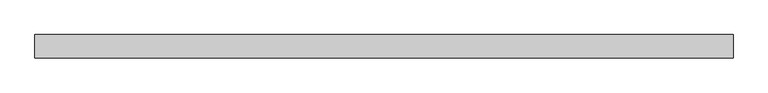
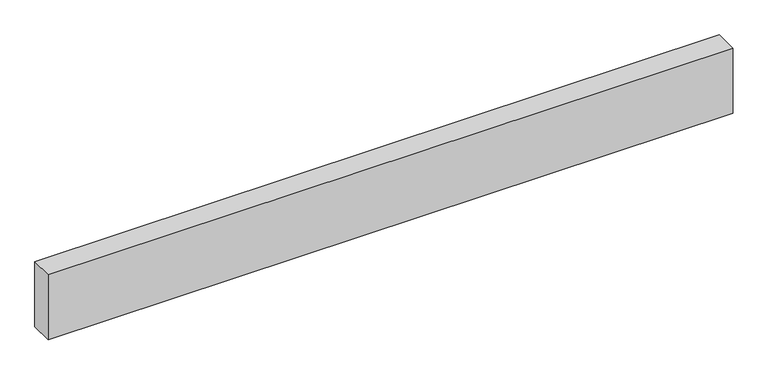
"""IFC4 building model written with IfcOpenShell, lengths in millimetres: proxy geometry."""

import ifcopenshell
import ifcopenshell.guid

model = None  # the IFC model being written
_history = None  # IfcOwnerHistory: only IFC2X3 demands one
_inside = {}  # id of a spatial element -> (the spatial element, [elements in it])
_under = {}  # id of a project, library or spatial element -> (it, [spatial elements below it])
_declared = {}  # id of a project -> (the project, [libraries it declares])
_typed = {}  # id of a type object -> (the type object, [elements of that type])
_made_of = {}  # id of a material, layer set ... -> (it, [elements and type objects made of it])


def new_model(schema):
    """Start an empty IFC model of exactly this schema.

    Asked for "IFC4X3", IfcOpenShell would pick the latest addendum, in which some entities
    have other attributes; the version numbers below select the first issue.
    IFC2X3 requires an IfcOwnerHistory on every rooted entity: one is made here for all.
    """
    global model, _history
    if schema == "IFC4X3":
        model = ifcopenshell.file(schema_version=(4, 3, 0, 0))
    else:
        model = ifcopenshell.file(schema=schema)
    _inside.clear()
    _under.clear()
    _declared.clear()
    _typed.clear()
    _made_of.clear()
    _history = None
    if model.schema == "IFC2X3":
        org = make("IfcOrganization", Name="unknown")
        user = make(
            "IfcPersonAndOrganization",
            ThePerson=make("IfcPerson", FamilyName="unknown"),
            TheOrganization=org,
        )
        app = make(
            "IfcApplication",
            ApplicationDeveloper=org,
            Version="unknown",
            ApplicationFullName="unknown",
            ApplicationIdentifier="unknown",
        )
        _history = make(
            "IfcOwnerHistory",
            OwningUser=user,
            OwningApplication=app,
            ChangeAction="ADDED",
            CreationDate=0,
        )
    return model


def make(cls, **values):
    """One entity of the class cls with the attributes given. An attribute that is None is left unset."""
    return model.create_entity(
        cls, **{name: value for name, value in values.items() if value is not None}
    )


def rooted(cls, **values):
    """An entity with a GlobalId (a new one), such as an element, a storey or a relation."""
    return make(cls, GlobalId=ifcopenshell.guid.new(), OwnerHistory=_history, **values)


def si_unit(unit_type, name, prefix=None):
    """IfcSIUnit, for example si_unit("LENGTHUNIT", "METRE", prefix="MILLI")."""
    return make("IfcSIUnit", UnitType=unit_type, Prefix=prefix, Name=name)


def assignment(units):
    """IfcUnitAssignment: the units of a project."""
    return None if units is None else make("IfcUnitAssignment", Units=units)


def point(xyz):
    """IfcCartesianPoint."""
    return None if xyz is None else make("IfcCartesianPoint", Coordinates=xyz)


def direction(xyz):
    """IfcDirection."""
    return None if xyz is None else make("IfcDirection", DirectionRatios=xyz)


def frame(location, z_axis=None, x_axis=None):
    """IfcAxis2Placement3D, a coordinate frame: its origin and axes. An axis left out is left unset."""
    return make(
        "IfcAxis2Placement3D",
        Location=point(location),
        Axis=direction(z_axis),
        RefDirection=direction(x_axis),
    )


def origin():
    """The frame at (0, 0, 0) with its axes left unset."""
    return frame((0.0, 0.0, 0.0))


def origin_with_axes():
    """The frame at (0, 0, 0) with the z axis (0, 0, 1) and the x axis (1, 0, 0) written out."""
    return frame((0.0, 0.0, 0.0), z_axis=(0.0, 0.0, 1.0), x_axis=(1.0, 0.0, 0.0))


def place(relative_to, where):
    """IfcLocalPlacement: puts the frame where relative to a parent placement (None: the world)."""
    return make(
        "IfcLocalPlacement", PlacementRelTo=relative_to, RelativePlacement=where
    )


def context(
    kind, dimensions, precision=None, world=None, true_north=None, identifier=None
):
    """IfcGeometricRepresentationContext, for example the 3D "Model" context."""
    return make(
        "IfcGeometricRepresentationContext",
        ContextIdentifier=identifier,
        ContextType=kind,
        CoordinateSpaceDimension=dimensions,
        Precision=precision,
        WorldCoordinateSystem=world,
        TrueNorth=true_north,
    )


def project(units=None, contexts=None):
    """IfcProject with its units and contexts."""
    return rooted(
        "IfcProject",
        Name="project",
        RepresentationContexts=contexts,
        UnitsInContext=assignment(units),
    )


def spatial(cls, under=None, at=None, **own):
    """A site, building, storey or space (cls), placed at a placement, below another one or the project."""
    s = rooted(cls, ObjectPlacement=at, **own)
    if under is not None:
        _under.setdefault(under.id(), (under, []))[1].append(s)
    return s


def polyline(points):
    """IfcPolyline through the points."""
    return make("IfcPolyline", Points=[point(p) for p in points])


def outline(outer, holes=None, kind="AREA"):
    """IfcArbitraryClosedProfileDef: a profile drawn as a closed curve; with holes, ...WithVoids."""
    if holes is None:
        return make("IfcArbitraryClosedProfileDef", ProfileType=kind, OuterCurve=outer)
    return make(
        "IfcArbitraryProfileDefWithVoids",
        ProfileType=kind,
        OuterCurve=outer,
        InnerCurves=holes,
    )


def extrude(swept, where, along, depth):
    """IfcExtrudedAreaSolid: the profile swept, set in the frame where, extruded along a direction by depth."""
    return make(
        "IfcExtrudedAreaSolid",
        SweptArea=swept,
        Position=where,
        ExtrudedDirection=direction(along),
        Depth=depth,
    )


def shape(context_of_items, identifier, shape_type, items):
    """IfcShapeRepresentation: the items that make up one representation, for example the "Body"."""
    return make(
        "IfcShapeRepresentation",
        ContextOfItems=context_of_items,
        RepresentationIdentifier=identifier,
        RepresentationType=shape_type,
        Items=items,
    )


def source(mapping_origin, context_of_items, identifier, shape_type, items):
    """IfcRepresentationMap: a shape defined once, which mapped items show again and again."""
    return make(
        "IfcRepresentationMap",
        MappingOrigin=mapping_origin,
        MappedRepresentation=shape(context_of_items, identifier, shape_type, items),
    )


def transform(
    local_origin,
    x_axis=None,
    y_axis=None,
    z_axis=None,
    scale=None,
    scale2=None,
    scale3=None,
    uniform=True,
):
    """IfcCartesianTransformationOperator3D, or its non-uniform kind. x_axis, y_axis, z_axis: its Axis1, 2, 3."""
    if uniform:
        return make(
            "IfcCartesianTransformationOperator3D",
            Axis1=direction(x_axis),
            Axis2=direction(y_axis),
            LocalOrigin=point(local_origin),
            Scale=scale,
            Axis3=direction(z_axis),
        )
    return make(
        "IfcCartesianTransformationOperator3DnonUniform",
        Axis1=direction(x_axis),
        Axis2=direction(y_axis),
        LocalOrigin=point(local_origin),
        Scale=scale,
        Axis3=direction(z_axis),
        Scale2=scale2,
        Scale3=scale3,
    )


def mapped(mapping_source, mapping_target):
    """IfcMappedItem: shows the shape of a source again, moved by a transform."""
    return make(
        "IfcMappedItem", MappingSource=mapping_source, MappingTarget=mapping_target
    )


def made_of(thing, what):
    """Note that an element or type object is made of a material, layer set ...; save() writes the relation."""
    if what is not None:
        _made_of.setdefault(what.id(), (what, []))[1].append(thing)
    return thing


def element(
    cls,
    number,
    at=None,
    inside=None,
    cuts=None,
    type_object=None,
    material=None,
    context=None,
    identifier="Body",
    shape_type=None,
    held_by="IfcProductDefinitionShape",
    body=None,
    shapes=None,
    **own,
):
    """One element of the class cls, such as IfcWall. Its Tag is "e" and its number.

    at: its placement. inside: the storey or other place that contains it. cuts: it is an
    opening in that element (IfcRelVoidsElement). A single representation is given by context,
    identifier, shape_type and body (its items); several are given by shapes. held_by: the class
    of the entity that holds the representations. save() writes the other relations.
    """
    e = rooted(cls, Tag="e%d" % number, ObjectPlacement=at, **own)
    if body is not None:
        shapes = [shape(context, identifier, shape_type, body)]
    if shapes is not None:
        e.Representation = make(held_by, Representations=shapes)
    if inside is not None:
        _inside.setdefault(inside.id(), (inside, []))[1].append(e)
    if cuts is not None:
        rooted(
            "IfcRelVoidsElement", RelatingBuildingElement=cuts, RelatedOpeningElement=e
        )
    if type_object is not None:
        _typed.setdefault(type_object.id(), (type_object, []))[1].append(e)
    return made_of(e, material)


def aggregate(whole, parts):
    """IfcRelAggregates: a whole, such as a stair, and the parts it consists of."""
    return rooted("IfcRelAggregates", RelatingObject=whole, RelatedObjects=parts)


def save(model, path):
    """Write the relations noted so far, then the file.

    IfcRelAggregates (storeys below a building ...), IfcRelContainedInSpatialStructure (elements
    in a storey), IfcRelDefinesByType, IfcRelAssociatesMaterial and IfcRelDeclares: one each for
    every whole, place, type object, material and project.
    """
    for whole, parts in _under.values():
        aggregate(whole, parts)
    for where, things in _inside.values():
        rooted(
            "IfcRelContainedInSpatialStructure",
            RelatedElements=things,
            RelatingStructure=where,
        )
    for kind, things in _typed.values():
        rooted("IfcRelDefinesByType", RelatedObjects=things, RelatingType=kind)
    for what, things in _made_of.values():
        rooted("IfcRelAssociatesMaterial", RelatedObjects=things, RelatingMaterial=what)
    for by, libraries in _declared.values():
        rooted("IfcRelDeclares", RelatingContext=by, RelatedDefinitions=libraries)
    model.write(path)


def generic_models_be3216ea(model_context):
    return source(origin(), model_context, "Body", "SweptSolid", [
        extrude(outline(polyline([(2985.2252687, 0.0), (2985.2252687, -100.0), (0.0, -100.0), (0.0, 0.0), (2985.2252687, 0.0)])), origin_with_axes(), (0.0, 0.0, 1.0), 300.0),
    ])


if __name__ == "__main__":
    model = new_model("IFC4")
    model_context = context("Model", 3, world=origin())
    ifc_project = project(units=[si_unit("LENGTHUNIT", "METRE", prefix="MILLI")], contexts=[model_context])
    site = spatial("IfcSite", under=ifc_project)
    building = spatial("IfcBuilding", under=site)
    placement = place(None, origin())
    generic_models_shape = generic_models_be3216ea(model_context)
    element("IfcBuildingElementProxy", 1, Name="Generic Models", at=placement, inside=building, context=model_context, shape_type="MappedRepresentation", body=[
        mapped(generic_models_shape, transform((0.0, 0.0, 0.0), x_axis=(1.0, 0.0, 0.0), y_axis=(0.0, 1.0, 0.0), z_axis=(0.0, 0.0, 1.0))),
    ])
    save(model, "model.ifc")
